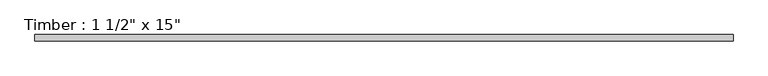
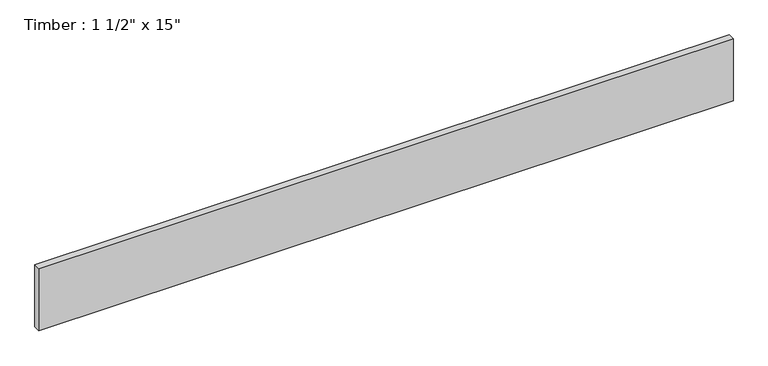
"""IFC4 building model written with IfcOpenShell, lengths in millimetres: beam geometry."""

from ifc_helpers import new_model, si_unit, frame, origin, place, context, project, spatial, polyline, outline, extrude, source, transform, mapped, element, save


def beam_6c512465(model_context):
    return source(origin(), model_context, "Body", "SweptSolid", [
        extrude(outline(polyline([(2018.5988527, 19.05), (2018.5988527, -19.05), (-2018.5988527, -19.05), (-2018.5988527, 19.05), (2018.5988527, 19.05)])), frame((0.0, 0.0, -190.5), z_axis=(0.0, 0.0, 1.0), x_axis=(1.0, 0.0, 0.0)), (0.0, 0.0, 1.0), 381.0),
    ])


if __name__ == "__main__":
    model = new_model("IFC4")
    model_context = context("Model", 3, world=origin())
    ifc_project = project(units=[si_unit("LENGTHUNIT", "METRE", prefix="MILLI")], contexts=[model_context])
    site = spatial("IfcSite", under=ifc_project)
    building = spatial("IfcBuilding", under=site)
    placement = place(None, origin())
    beam_shape = beam_6c512465(model_context)
    element("IfcBeam", 1, ObjectType="Timber : 1 1/2\" x 15\"", at=placement, inside=building, context=model_context, shape_type="MappedRepresentation", body=[
        mapped(beam_shape, transform((0.0, 0.0, 0.0), x_axis=(1.0, 0.0, 0.0), y_axis=(0.0, 1.0, 0.0), z_axis=(0.0, 0.0, 1.0))),
    ])
    save(model, "model.ifc")
